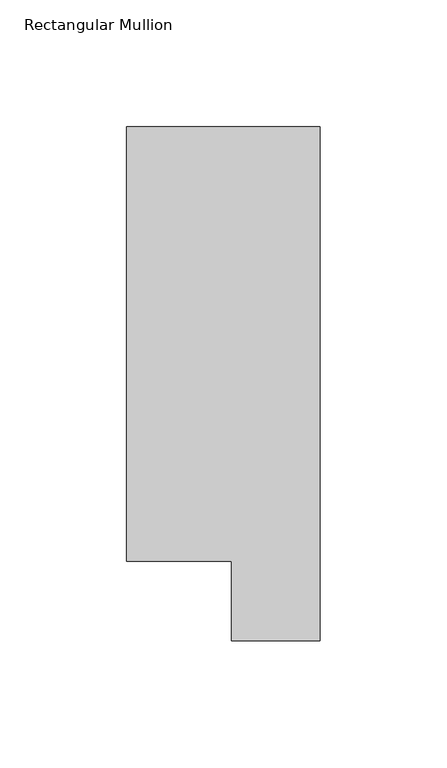
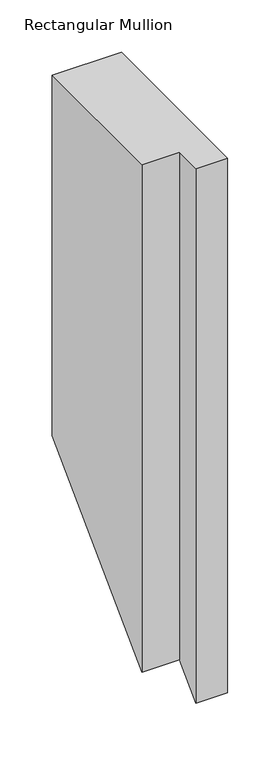
"""IFC4 building model written with IfcOpenShell, lengths in millimetres: member geometry, Rectangular Mullion."""

import ifcopenshell
import ifcopenshell.guid

model = None  # the IFC model being written
_history = None  # IfcOwnerHistory: only IFC2X3 demands one
_inside = {}  # id of a spatial element -> (the spatial element, [elements in it])
_under = {}  # id of a project, library or spatial element -> (it, [spatial elements below it])
_declared = {}  # id of a project -> (the project, [libraries it declares])
_typed = {}  # id of a type object -> (the type object, [elements of that type])
_made_of = {}  # id of a material, layer set ... -> (it, [elements and type objects made of it])


def new_model(schema):
    """Start an empty IFC model of exactly this schema.

    Asked for "IFC4X3", IfcOpenShell would pick the latest addendum, in which some entities
    have other attributes; the version numbers below select the first issue.
    IFC2X3 requires an IfcOwnerHistory on every rooted entity: one is made here for all.
    """
    global model, _history
    if schema == "IFC4X3":
        model = ifcopenshell.file(schema_version=(4, 3, 0, 0))
    else:
        model = ifcopenshell.file(schema=schema)
    _inside.clear()
    _under.clear()
    _declared.clear()
    _typed.clear()
    _made_of.clear()
    _history = None
    if model.schema == "IFC2X3":
        org = make("IfcOrganization", Name="unknown")
        user = make(
            "IfcPersonAndOrganization",
            ThePerson=make("IfcPerson", FamilyName="unknown"),
            TheOrganization=org,
        )
        app = make(
            "IfcApplication",
            ApplicationDeveloper=org,
            Version="unknown",
            ApplicationFullName="unknown",
            ApplicationIdentifier="unknown",
        )
        _history = make(
            "IfcOwnerHistory",
            OwningUser=user,
            OwningApplication=app,
            ChangeAction="ADDED",
            CreationDate=0,
        )
    return model


def make(cls, **values):
    """One entity of the class cls with the attributes given. An attribute that is None is left unset."""
    return model.create_entity(
        cls, **{name: value for name, value in values.items() if value is not None}
    )


def rooted(cls, **values):
    """An entity with a GlobalId (a new one), such as an element, a storey or a relation."""
    return make(cls, GlobalId=ifcopenshell.guid.new(), OwnerHistory=_history, **values)


def si_unit(unit_type, name, prefix=None):
    """IfcSIUnit, for example si_unit("LENGTHUNIT", "METRE", prefix="MILLI")."""
    return make("IfcSIUnit", UnitType=unit_type, Prefix=prefix, Name=name)


def assignment(units):
    """IfcUnitAssignment: the units of a project."""
    return None if units is None else make("IfcUnitAssignment", Units=units)


def point(xyz):
    """IfcCartesianPoint."""
    return None if xyz is None else make("IfcCartesianPoint", Coordinates=xyz)


def direction(xyz):
    """IfcDirection."""
    return None if xyz is None else make("IfcDirection", DirectionRatios=xyz)


def frame(location, z_axis=None, x_axis=None):
    """IfcAxis2Placement3D, a coordinate frame: its origin and axes. An axis left out is left unset."""
    return make(
        "IfcAxis2Placement3D",
        Location=point(location),
        Axis=direction(z_axis),
        RefDirection=direction(x_axis),
    )


def origin():
    """The frame at (0, 0, 0) with its axes left unset."""
    return frame((0.0, 0.0, 0.0))


def place(relative_to, where):
    """IfcLocalPlacement: puts the frame where relative to a parent placement (None: the world)."""
    return make(
        "IfcLocalPlacement", PlacementRelTo=relative_to, RelativePlacement=where
    )


def context(
    kind, dimensions, precision=None, world=None, true_north=None, identifier=None
):
    """IfcGeometricRepresentationContext, for example the 3D "Model" context."""
    return make(
        "IfcGeometricRepresentationContext",
        ContextIdentifier=identifier,
        ContextType=kind,
        CoordinateSpaceDimension=dimensions,
        Precision=precision,
        WorldCoordinateSystem=world,
        TrueNorth=true_north,
    )


def project(units=None, contexts=None):
    """IfcProject with its units and contexts."""
    return rooted(
        "IfcProject",
        Name="project",
        RepresentationContexts=contexts,
        UnitsInContext=assignment(units),
    )


def spatial(cls, under=None, at=None, **own):
    """A site, building, storey or space (cls), placed at a placement, below another one or the project."""
    s = rooted(cls, ObjectPlacement=at, **own)
    if under is not None:
        _under.setdefault(under.id(), (under, []))[1].append(s)
    return s


def faces_of(points, faces, orient=None, outer=None):
    """IfcFace entities. A face is a list of loops; a loop is a list of indices into points, from 0.

    orient and outer hold one flag for each loop. By default every Orientation is true, the
    first loop of a face is its IfcFaceOuterBound and the others are IfcFaceBound.
    """
    made = []
    for i, loops in enumerate(faces):
        bounds = []
        for j, loop in enumerate(loops):
            is_outer = j == 0 if outer is None else outer[i][j]
            bounds.append(
                make(
                    "IfcFaceOuterBound" if is_outer else "IfcFaceBound",
                    Bound=make("IfcPolyLoop", Polygon=[points[k] for k in loop]),
                    Orientation=True if orient is None else orient[i][j],
                )
            )
        made.append(make("IfcFace", Bounds=bounds))
    return made


def faceted_brep(points, faces, orient=None, outer=None, voids=None):
    """IfcFacetedBrep: a solid bounded by flat faces; with voids (closed shells), ...WithVoids."""
    shared = [point(p) for p in points]
    hull = make("IfcClosedShell", CfsFaces=faces_of(shared, faces, orient, outer))
    if voids is None:
        return make("IfcFacetedBrep", Outer=hull)
    return make(
        "IfcFacetedBrepWithVoids",
        Outer=hull,
        Voids=[
            make(cls, CfsFaces=faces_of(shared, fs, o, b)) for cls, fs, o, b in voids
        ],
    )


def shape(context_of_items, identifier, shape_type, items):
    """IfcShapeRepresentation: the items that make up one representation, for example the "Body"."""
    return make(
        "IfcShapeRepresentation",
        ContextOfItems=context_of_items,
        RepresentationIdentifier=identifier,
        RepresentationType=shape_type,
        Items=items,
    )


def source(mapping_origin, context_of_items, identifier, shape_type, items):
    """IfcRepresentationMap: a shape defined once, which mapped items show again and again."""
    return make(
        "IfcRepresentationMap",
        MappingOrigin=mapping_origin,
        MappedRepresentation=shape(context_of_items, identifier, shape_type, items),
    )


def transform(
    local_origin,
    x_axis=None,
    y_axis=None,
    z_axis=None,
    scale=None,
    scale2=None,
    scale3=None,
    uniform=True,
):
    """IfcCartesianTransformationOperator3D, or its non-uniform kind. x_axis, y_axis, z_axis: its Axis1, 2, 3."""
    if uniform:
        return make(
            "IfcCartesianTransformationOperator3D",
            Axis1=direction(x_axis),
            Axis2=direction(y_axis),
            LocalOrigin=point(local_origin),
            Scale=scale,
            Axis3=direction(z_axis),
        )
    return make(
        "IfcCartesianTransformationOperator3DnonUniform",
        Axis1=direction(x_axis),
        Axis2=direction(y_axis),
        LocalOrigin=point(local_origin),
        Scale=scale,
        Axis3=direction(z_axis),
        Scale2=scale2,
        Scale3=scale3,
    )


def mapped(mapping_source, mapping_target):
    """IfcMappedItem: shows the shape of a source again, moved by a transform."""
    return make(
        "IfcMappedItem", MappingSource=mapping_source, MappingTarget=mapping_target
    )


def made_of(thing, what):
    """Note that an element or type object is made of a material, layer set ...; save() writes the relation."""
    if what is not None:
        _made_of.setdefault(what.id(), (what, []))[1].append(thing)
    return thing


def element(
    cls,
    number,
    at=None,
    inside=None,
    cuts=None,
    type_object=None,
    material=None,
    context=None,
    identifier="Body",
    shape_type=None,
    held_by="IfcProductDefinitionShape",
    body=None,
    shapes=None,
    **own,
):
    """One element of the class cls, such as IfcWall. Its Tag is "e" and its number.

    at: its placement. inside: the storey or other place that contains it. cuts: it is an
    opening in that element (IfcRelVoidsElement). A single representation is given by context,
    identifier, shape_type and body (its items); several are given by shapes. held_by: the class
    of the entity that holds the representations. save() writes the other relations.
    """
    e = rooted(cls, Tag="e%d" % number, ObjectPlacement=at, **own)
    if body is not None:
        shapes = [shape(context, identifier, shape_type, body)]
    if shapes is not None:
        e.Representation = make(held_by, Representations=shapes)
    if inside is not None:
        _inside.setdefault(inside.id(), (inside, []))[1].append(e)
    if cuts is not None:
        rooted(
            "IfcRelVoidsElement", RelatingBuildingElement=cuts, RelatedOpeningElement=e
        )
    if type_object is not None:
        _typed.setdefault(type_object.id(), (type_object, []))[1].append(e)
    return made_of(e, material)


def aggregate(whole, parts):
    """IfcRelAggregates: a whole, such as a stair, and the parts it consists of."""
    return rooted("IfcRelAggregates", RelatingObject=whole, RelatedObjects=parts)


def save(model, path):
    """Write the relations noted so far, then the file.

    IfcRelAggregates (storeys below a building ...), IfcRelContainedInSpatialStructure (elements
    in a storey), IfcRelDefinesByType, IfcRelAssociatesMaterial and IfcRelDeclares: one each for
    every whole, place, type object, material and project.
    """
    for whole, parts in _under.values():
        aggregate(whole, parts)
    for where, things in _inside.values():
        rooted(
            "IfcRelContainedInSpatialStructure",
            RelatedElements=things,
            RelatingStructure=where,
        )
    for kind, things in _typed.values():
        rooted("IfcRelDefinesByType", RelatedObjects=things, RelatingType=kind)
    for what, things in _made_of.values():
        rooted("IfcRelAssociatesMaterial", RelatedObjects=things, RelatingMaterial=what)
    for by, libraries in _declared.values():
        rooted("IfcRelDeclares", RelatingContext=by, RelatedDefinitions=libraries)
    model.write(path)


def rectangular_mullion_8952118f(model_context):
    return source(origin(), model_context, "Body", "Brep", [
        faceted_brep([(0.0, 222.0301313, 0.0), (-76.2, 222.0301313, 0.0), (-76.2, 50.820278, 0.0), (-34.9123, 50.820278, 0.0), (-34.9123, 19.5667312, 0.0), (0.0, 19.5667313, 0.0), (0.0, 222.0301313, -419.3198687), (-76.2, 222.0301313, -419.3198687), (-76.2, 50.820278, -590.5297219), (-34.9123, 50.820278, -590.5297219), (-34.9123, 19.5667312, -621.7832687), (0.0, 19.5667313, -621.7832687)], [[[0, 1, 2, 3, 4, 5]], [[1, 0, 6, 7]], [[2, 1, 7, 8]], [[3, 2, 8, 9]], [[4, 3, 9, 10]], [[5, 4, 10, 11]], [[0, 5, 11, 6]], [[6, 11, 10, 9, 8, 7]]]),
    ])


if __name__ == "__main__":
    model = new_model("IFC4")
    model_context = context("Model", 3, world=origin())
    ifc_project = project(units=[si_unit("LENGTHUNIT", "METRE", prefix="MILLI")], contexts=[model_context])
    site = spatial("IfcSite", under=ifc_project)
    building = spatial("IfcBuilding", under=site)
    placement = place(None, origin())
    rectangular_mullion_shape = rectangular_mullion_8952118f(model_context)
    element("IfcMember", 1, ObjectType="Rectangular Mullion", at=placement, inside=building, context=model_context, shape_type="MappedRepresentation", body=[
        mapped(rectangular_mullion_shape, transform((0.0, 0.0, 0.0), x_axis=(1.0, 0.0, 0.0), y_axis=(0.0, 1.0, 0.0), z_axis=(0.0, 0.0, 1.0))),
    ])
    save(model, "model.ifc")
